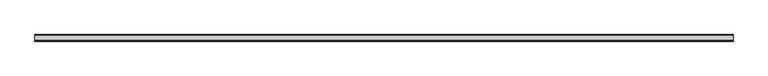
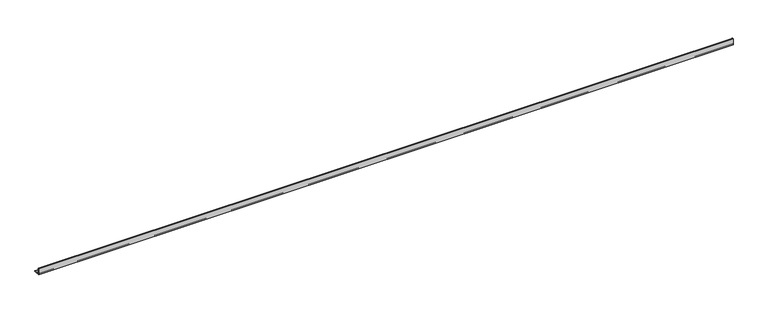
"""IFC4 building model written with IfcOpenShell, lengths in millimetres: beam geometry."""

from ifc_helpers import new_model, si_unit, point, frame, frame_2d, origin, place, context, project, spatial, polyline, circle_curve, trimmed, segment, composite_curve, outline, extrude, source, transform, mapped, element, save


def beam_fbf26ac4(model_context):
    return source(origin(), model_context, "Body", "SweptSolid", [
        extrude(outline(composite_curve([segment(polyline([(-21.3, -21.3), (-21.3, 53.7), (-18.3, 53.7)]), True, "CONTINUOUS"), segment(trimmed(circle_curve(frame_2d((-18.3, 48.7)), 5.0), [point((-18.3, 53.7))], [point((-13.3, 48.7))], False, "CARTESIAN"), True, "CONTINUOUS"), segment(polyline([(-13.3, 48.7), (-13.3, -5.3)]), True, "CONTINUOUS"), segment(trimmed(circle_curve(frame_2d((-5.3, -5.3)), 8.0), [point((-13.3, -5.3))], [point((-5.3, -13.3))], True, "CARTESIAN"), True, "CONTINUOUS"), segment(polyline([(-5.3, -13.3), (48.7, -13.3)]), True, "CONTINUOUS"), segment(trimmed(circle_curve(frame_2d((48.7, -18.3)), 5.0), [point((48.7, -13.3))], [point((53.7, -18.3))], False, "CARTESIAN"), True, "CONTINUOUS"), segment(polyline([(53.7, -18.3), (53.7, -21.3), (-21.3, -21.3)]), True, "CONTINUOUS")], self_intersect=False)), frame((-3954.0, 0.0, 0.0), z_axis=(1.0, 0.0, 0.0), x_axis=(0.0, 1.0, 0.0)), (0.0, 0.0, 1.0), 7909.0),
    ])


if __name__ == "__main__":
    model = new_model("IFC4")
    model_context = context("Model", 3, world=origin())
    ifc_project = project(units=[si_unit("LENGTHUNIT", "METRE", prefix="MILLI")], contexts=[model_context])
    site = spatial("IfcSite", under=ifc_project)
    building = spatial("IfcBuilding", under=site)
    placement = place(None, origin())
    beam_shape = beam_fbf26ac4(model_context)
    element("IfcBeam", 1, at=placement, inside=building, context=model_context, shape_type="MappedRepresentation", body=[
        mapped(beam_shape, transform((0.0, 0.0, 0.0), x_axis=(1.0, 0.0, 0.0), y_axis=(0.0, 1.0, 0.0), z_axis=(0.0, 0.0, 1.0))),
    ])
    save(model, "model.ifc")
